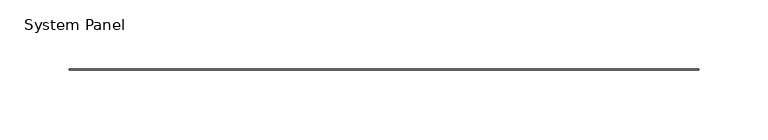
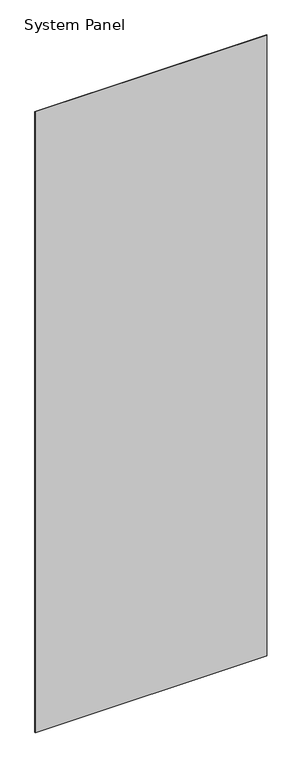
"""IFC4 building model written with IfcOpenShell, lengths in millimetres: plate geometry, System Panel."""

from ifc_helpers import new_model, si_unit, origin, origin_with_axes, place, context, project, spatial, polyline, outline, extrude, source, transform, mapped, element, save


def system_panel_0a59d045(model_context):
    return source(origin(), model_context, "Body", "SweptSolid", [
        extrude(outline(polyline([(226.8855, -0.396875), (-226.8855, -0.396875), (-226.8855, 0.396875), (226.8855, 0.396875), (226.8855, -0.396875)])), origin_with_axes(), (0.0, 0.0, 1.0), 1285.875),
    ])


if __name__ == "__main__":
    model = new_model("IFC4")
    model_context = context("Model", 3, world=origin())
    ifc_project = project(units=[si_unit("LENGTHUNIT", "METRE", prefix="MILLI")], contexts=[model_context])
    site = spatial("IfcSite", under=ifc_project)
    building = spatial("IfcBuilding", under=site)
    placement = place(None, origin())
    system_panel_shape = system_panel_0a59d045(model_context)
    element("IfcPlate", 1, ObjectType="System Panel", at=placement, inside=building, context=model_context, shape_type="MappedRepresentation", body=[
        mapped(system_panel_shape, transform((0.0, 0.0, 0.0), x_axis=(1.0, 0.0, 0.0), y_axis=(0.0, 1.0, 0.0), z_axis=(0.0, 0.0, 1.0))),
    ])
    save(model, "model.ifc")
